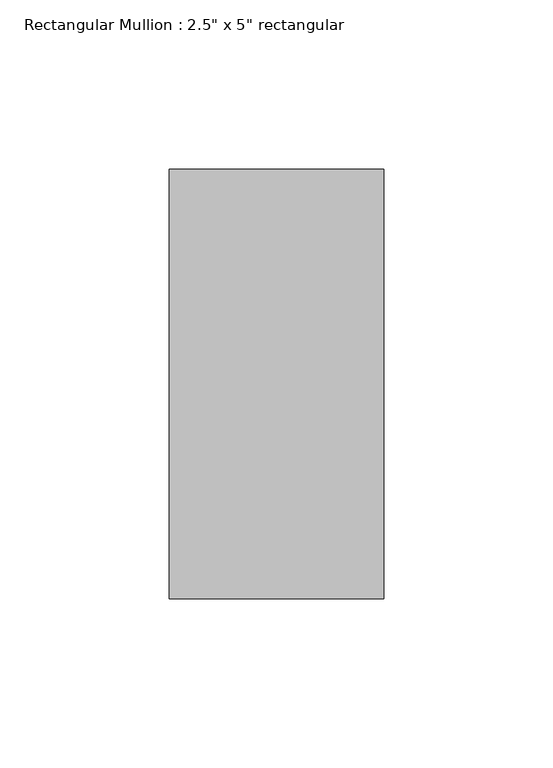
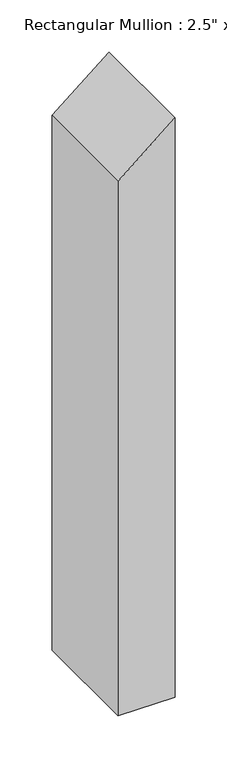
"""IFC4 building model written with IfcOpenShell, lengths in millimetres: member geometry."""

from ifc_helpers import new_model, si_unit, frame, origin, place, context, project, spatial, polyline, outline, extrude, source, transform, mapped, element, save


def member_e81944d2(model_context):
    return source(origin(), model_context, "Body", "SweptSolid", [
        extrude(outline(polyline([(0.0, 0.0), (-52.1986263, -63.5), (-679.7998181, -63.5), (-679.7998181, 0.0), (0.0, 0.0)])), frame((0.0, -63.5, 0.0), z_axis=(0.0, 1.0, 0.0), x_axis=(0.0, 0.0, 1.0)), (0.0, 0.0, 1.0), 127.0),
    ])


if __name__ == "__main__":
    model = new_model("IFC4")
    model_context = context("Model", 3, world=origin())
    ifc_project = project(units=[si_unit("LENGTHUNIT", "METRE", prefix="MILLI")], contexts=[model_context])
    site = spatial("IfcSite", under=ifc_project)
    building = spatial("IfcBuilding", under=site)
    placement = place(None, origin())
    member_shape = member_e81944d2(model_context)
    element("IfcMember", 1, ObjectType="Rectangular Mullion : 2.5\" x 5\" rectangular", at=placement, inside=building, context=model_context, shape_type="MappedRepresentation", body=[
        mapped(member_shape, transform((0.0, 0.0, 0.0), x_axis=(1.0, 0.0, 0.0), y_axis=(0.0, 1.0, 0.0), z_axis=(0.0, 0.0, 1.0))),
    ])
    save(model, "model.ifc")
